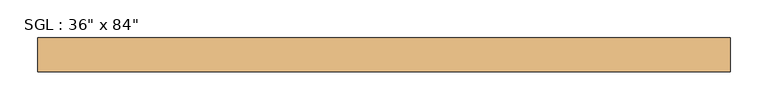
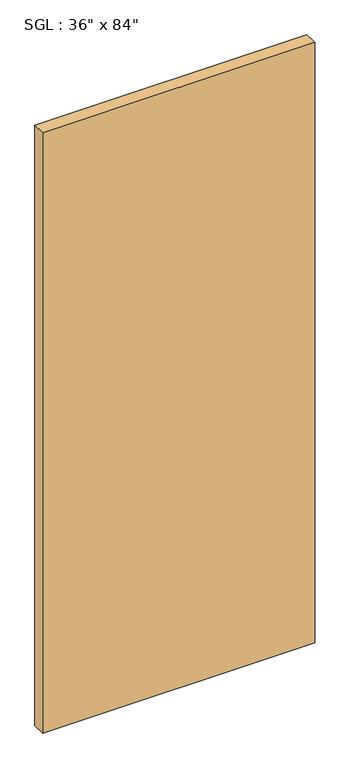
"""IFC4 building model written with IfcOpenShell, lengths in millimetres: door geometry."""

from ifc_helpers import new_model, si_unit, origin, origin_with_axes, place, context, project, spatial, polyline, outline, extrude, source, transform, mapped, element, save


def door_74e4bccb(model_context):
    return source(origin(), model_context, "Body", "SweptSolid", [
        extrude(outline(polyline([(457.2, 57.15), (-457.2, 57.15), (-457.2, 101.6), (457.2, 101.6), (457.2, 57.15)])), origin_with_axes(), (0.0, 0.0, 1.0), 2133.6),
    ])


if __name__ == "__main__":
    model = new_model("IFC4")
    model_context = context("Model", 3, world=origin())
    ifc_project = project(units=[si_unit("LENGTHUNIT", "METRE", prefix="MILLI")], contexts=[model_context])
    site = spatial("IfcSite", under=ifc_project)
    building = spatial("IfcBuilding", under=site)
    placement = place(None, origin())
    door_shape = door_74e4bccb(model_context)
    element("IfcDoor", 1, ObjectType="SGL : 36\" x 84\"", at=placement, inside=building, context=model_context, shape_type="MappedRepresentation", body=[
        mapped(door_shape, transform((0.0, 0.0, 0.0), x_axis=(1.0, 0.0, 0.0), y_axis=(0.0, 1.0, 0.0), z_axis=(0.0, 0.0, 1.0))),
    ])
    save(model, "model.ifc")
